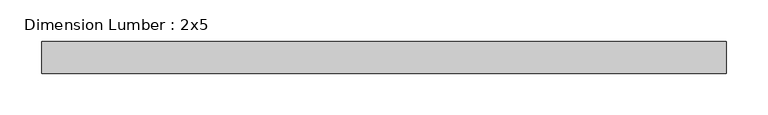
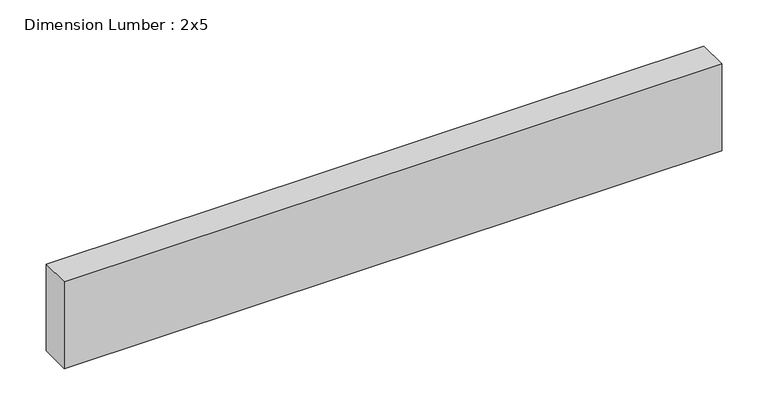
"""IFC4 building model written with IfcOpenShell, lengths in millimetres: beam geometry, Dimension Lumber : 2x5."""

from ifc_helpers import new_model, si_unit, frame, origin, place, context, project, spatial, polyline, outline, extrude, source, transform, mapped, element, save


def dimension_lumber_2x5_1924aa76(model_context):
    return source(origin(), model_context, "Body", "SweptSolid", [
        extrude(outline(polyline([(409.4289344, 19.05), (409.4289344, -19.05), (-409.4289344, -19.05), (-409.4289344, 19.05), (409.4289344, 19.05)])), frame((0.0, 0.0, -57.15), z_axis=(0.0, 0.0, 1.0), x_axis=(1.0, 0.0, 0.0)), (0.0, 0.0, 1.0), 114.3),
    ])


if __name__ == "__main__":
    model = new_model("IFC4")
    model_context = context("Model", 3, world=origin())
    ifc_project = project(units=[si_unit("LENGTHUNIT", "METRE", prefix="MILLI")], contexts=[model_context])
    site = spatial("IfcSite", under=ifc_project)
    building = spatial("IfcBuilding", under=site)
    placement = place(None, origin())
    dimension_lumber_2x5_shape = dimension_lumber_2x5_1924aa76(model_context)
    element("IfcBeam", 1, ObjectType="Dimension Lumber : 2x5", at=placement, inside=building, context=model_context, shape_type="MappedRepresentation", body=[
        mapped(dimension_lumber_2x5_shape, transform((0.0, 0.0, 0.0), x_axis=(1.0, 0.0, 0.0), y_axis=(0.0, 1.0, 0.0), z_axis=(0.0, 0.0, 1.0))),
    ])
    save(model, "model.ifc")
